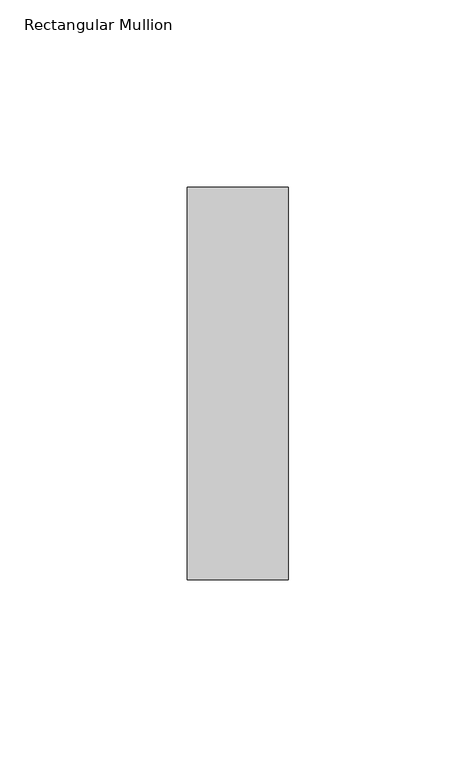
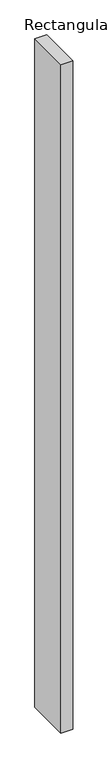
"""IFC4 building model written with IfcOpenShell, lengths in millimetres: member geometry, Rectangular Mullion."""

from ifc_helpers import new_model, si_unit, frame, origin, place, context, project, spatial, polyline, outline, extrude, source, transform, mapped, element, save


def rectangular_mullion_bfbe6498(model_context):
    return source(origin(), model_context, "Body", "SweptSolid", [
        extrude(outline(polyline([(0.0, 52.3975), (0.0, -52.3975), (-27.0, -52.3975), (-27.0, 52.3975), (0.0, 52.3975)])), frame((0.0, 0.0, -1639.0), z_axis=(0.0, 0.0, 1.0), x_axis=(1.0, 0.0, 0.0)), (0.0, 0.0, 1.0), 1639.0),
    ])


if __name__ == "__main__":
    model = new_model("IFC4")
    model_context = context("Model", 3, world=origin())
    ifc_project = project(units=[si_unit("LENGTHUNIT", "METRE", prefix="MILLI")], contexts=[model_context])
    site = spatial("IfcSite", under=ifc_project)
    building = spatial("IfcBuilding", under=site)
    placement = place(None, origin())
    rectangular_mullion_shape = rectangular_mullion_bfbe6498(model_context)
    element("IfcMember", 1, ObjectType="Rectangular Mullion", at=placement, inside=building, context=model_context, shape_type="MappedRepresentation", body=[
        mapped(rectangular_mullion_shape, transform((0.0, 0.0, 0.0), x_axis=(1.0, 0.0, 0.0), y_axis=(0.0, 1.0, 0.0), z_axis=(0.0, 0.0, 1.0))),
    ])
    save(model, "model.ifc")
